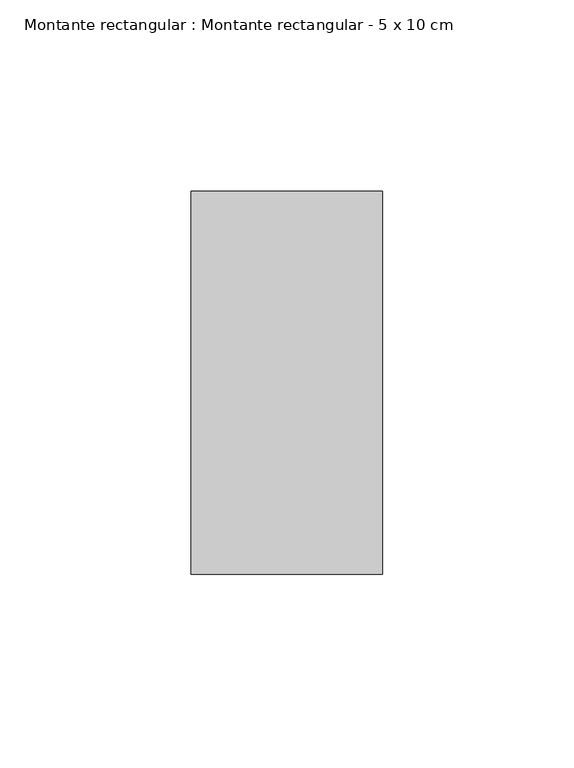
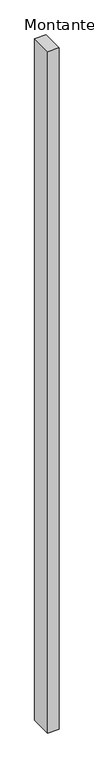
"""IFC4 building model written with IfcOpenShell, lengths in millimetres: member geometry, Montante rectangular : Montante rectangular - 5 x 10 cm."""

from ifc_helpers import new_model, si_unit, frame, origin, place, context, project, spatial, polyline, outline, extrude, source, transform, mapped, element, save


def montante_rectangular_montante_rectangular_5_x_10_cm_c87dad67(model_context):
    return source(origin(), model_context, "Body", "SweptSolid", [
        extrude(outline(polyline([(-50.0, 50.0), (0.0, 50.0), (0.0, -50.0), (-50.0, -50.0), (-50.0, 50.0)])), frame((0.0, 0.0, -3184.4605453), z_axis=(0.0, 0.0, 1.0), x_axis=(1.0, 0.0, 0.0)), (0.0, 0.0, 1.0), 3184.4605453),
    ])


if __name__ == "__main__":
    model = new_model("IFC4")
    model_context = context("Model", 3, world=origin())
    ifc_project = project(units=[si_unit("LENGTHUNIT", "METRE", prefix="MILLI")], contexts=[model_context])
    site = spatial("IfcSite", under=ifc_project)
    building = spatial("IfcBuilding", under=site)
    placement = place(None, origin())
    montante_rectangular_montante_rectangular_5_x_10_cm_shape = montante_rectangular_montante_rectangular_5_x_10_cm_c87dad67(model_context)
    element("IfcMember", 1, ObjectType="Montante rectangular : Montante rectangular - 5 x 10 cm", at=placement, inside=building, context=model_context, shape_type="MappedRepresentation", body=[
        mapped(montante_rectangular_montante_rectangular_5_x_10_cm_shape, transform((0.0, 0.0, 0.0), x_axis=(1.0, 0.0, 0.0), y_axis=(0.0, 1.0, 0.0), z_axis=(0.0, 0.0, 1.0))),
    ])
    save(model, "model.ifc")
